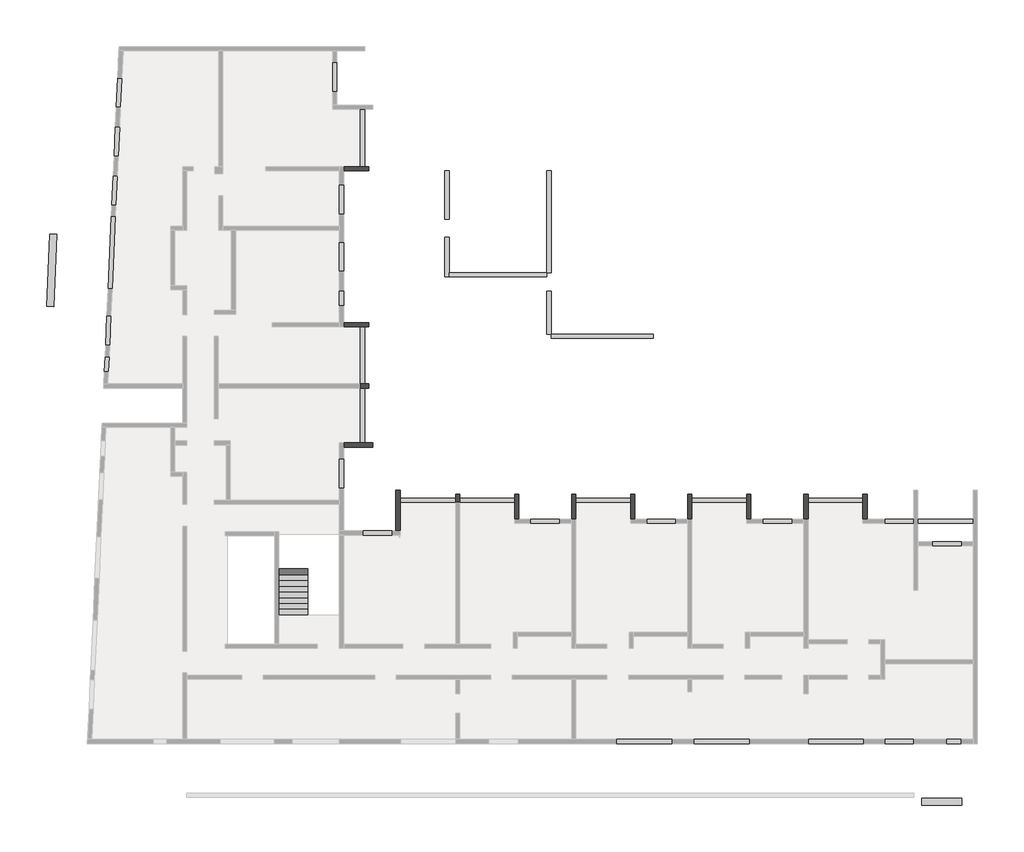
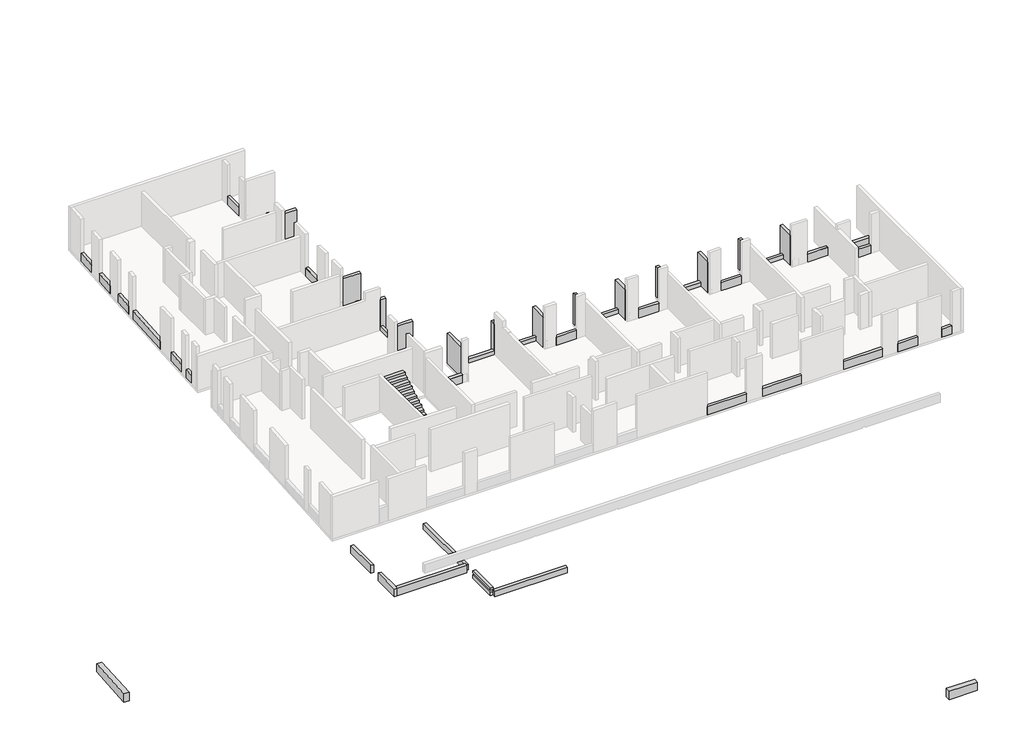
# One storey, part 4 of 5: 50 beams, 1 stair flight.
"""IFC4 building model written with IfcOpenShell, lengths in millimetres."""

from ifc_helpers import new_model, si_unit, frame, origin, place, context, project, spatial, polyline, outline, extrude, faceted_brep, element, save

model = new_model("IFC4")

# Units and contexts
model_context = context("Model", 3, world=origin())
ifc_project = project(units=[si_unit("LENGTHUNIT", "METRE", prefix="MILLI")], contexts=[model_context])

# Site, building, storey
site = spatial("IfcSite", under=ifc_project)
building = spatial("IfcBuilding", under=site)
storey = spatial("IfcBuildingStorey", under=building, Elevation=19880.0)

# Beams
placement = place(None, origin())
element("IfcBeam", 1, ObjectType="VF. 20/55", at=placement, inside=storey, context=model_context, shape_type="Brep", body=[
    faceted_brep([(-24095.6912908, 6450.9327501, -4300.0), (-24095.6912908, 6450.9327501, -4050.0), (-24095.6912908, 6450.9327501, -3900.0), (-24095.6912908, 6450.9327501, -3750.0), (-24095.6912908, 8380.9327501, -3750.0), (-24095.6912908, 8380.9327501, -4300.0), (-23895.6912908, 6450.9327501, -4300.0), (-23895.6912908, 8380.9327501, -4300.0), (-23895.6912908, 6650.9327501, -4300.0), (-23895.6912908, 6450.9327501, -4050.0), (-23895.6912908, 8380.9327501, -3750.0), (-23895.6912908, 6650.9327501, -3750.0), (-23895.6912908, 6450.9327501, -3750.0), (-23895.6912908, 6450.9327501, -3900.0)], [[[0, 1, 2, 3, 4, 5]], [[6, 0, 5, 7, 8]], [[9, 6, 8, 7, 10, 11, 12, 13]], [[3, 12, 11, 10, 4]], [[0, 6, 9, 13, 12, 3, 2, 1]], [[5, 4, 10, 7]]]),
    faceted_brep([(-23895.6912908, 11650.9327501, -4300.0), (-24095.6912908, 11650.9327501, -4300.0), (-24095.6912908, 11650.9327501, -4050.0), (-24095.6912908, 11650.9327501, -3900.0), (-24095.6912908, 11650.9327501, -3750.0), (-23895.6912908, 11650.9327501, -3750.0), (-23895.6912908, 11650.9327501, -3900.0), (-24095.6912908, 9280.9327501, -3750.0), (-24095.6912908, 9280.9327501, -4300.0), (-23895.6912908, 9280.9327501, -4300.0), (-23895.6912908, 9280.9327501, -3750.0)], [[[0, 1, 2, 3, 4, 5, 6]], [[7, 8, 9, 10]], [[2, 1, 8, 7, 4, 3]], [[1, 0, 9, 8]], [[0, 6, 5, 10, 9]], [[5, 4, 7, 10]]]),
])
element("IfcBeam", 2, ObjectType="VF. 20/55", at=placement, inside=storey, context=model_context, shape_type="Brep", body=[
    faceted_brep([(-23895.6912908, 6450.9327501, -3750.0), (-23895.6912908, 6450.9327501, -4300.0), (-19095.6912908, 6450.9327501, -4300.0), (-19095.6912908, 6450.9327501, -3750.0), (-23895.6912908, 6650.9327501, -4300.0), (-19095.6912908, 6650.9327501, -4300.0), (-23895.6912908, 6650.9327501, -3900.0), (-23895.6912908, 6650.9327501, -3750.0), (-19095.6912908, 6650.9327501, -3750.0)], [[[0, 1, 2, 3]], [[1, 4, 5, 2]], [[4, 6, 7, 8, 5]], [[7, 0, 3, 8]], [[1, 0, 7, 6, 4]], [[3, 2, 5, 8]]]),
])
element("IfcBeam", 3, ObjectType="VF. 20/55", at=placement, inside=storey, context=model_context, shape_type="SweptSolid", body=[
    extrude(outline(polyline([(-18895.6912908, 3640.9327501), (-19095.6912908, 3640.9327501), (-19095.6912908, 5750.9327501), (-18895.6912908, 5750.9327501), (-18895.6912908, 3640.9327501)])), frame((0.0, 0.0, -4300.0), z_axis=(0.0, 0.0, 1.0), x_axis=(1.0, 0.0, 0.0)), (0.0, 0.0, 1.0), 250.0),
    extrude(outline(polyline([(-19095.6912908, 11650.9327501), (-18895.6912908, 11650.9327501), (-18895.6912908, 6650.9327501), (-19095.6912908, 6650.9327501), (-19095.6912908, 11650.9327501)])), frame((0.0, 0.0, -4300.0), z_axis=(0.0, 0.0, 1.0), x_axis=(1.0, 0.0, 0.0)), (0.0, 0.0, 1.0), 400.0),
    extrude(outline(polyline([(-18895.6912908, 3640.9327501), (-19095.6912908, 3640.9327501), (-19095.6912908, 5750.9327501), (-18895.6912908, 5750.9327501), (-18895.6912908, 3640.9327501)])), frame((0.0, 0.0, -3900.0), z_axis=(0.0, 0.0, 1.0), x_axis=(1.0, 0.0, 0.0)), (0.0, 0.0, 1.0), 150.0),
])
element("IfcBeam", 4, ObjectType="VF. 20/55", at=placement, inside=storey, context=model_context, shape_type="Brep", body=[
    faceted_brep([(-13895.6912908, 3440.9327501, -4300.0), (-13895.6912908, 3640.9327501, -4300.0), (-13895.6912908, 3640.9327501, -4050.0), (-13895.6912908, 3640.9327501, -3900.0), (-13895.6912908, 3440.9327501, -3900.0), (-13895.6912908, 3440.9327501, -4050.0), (-18895.6912908, 3640.9327501, -4300.0), (-18895.6912908, 3440.9327501, -4300.0), (-18895.6912908, 3440.9327501, -4050.0), (-18895.6912908, 3440.9327501, -3900.0), (-18895.6912908, 3640.9327501, -3900.0), (-18895.6912908, 3640.9327501, -4050.0)], [[[0, 1, 2, 3, 4, 5]], [[6, 7, 8, 9, 10, 11]], [[7, 0, 5, 4, 9, 8]], [[1, 0, 7, 6]], [[1, 6, 11, 10, 3, 2]], [[10, 9, 4, 3]]]),
])
element("IfcBeam", 5, ObjectType="VF. 35/60", at=placement, inside=storey, context=model_context, shape_type="SweptSolid", body=[
    extrude(outline(polyline([(1214.3087092, -19094.0672499), (1214.3087092, -19444.0672499), (-725.6912908, -19444.0672499), (-725.6912908, -19094.0672499), (1214.3087092, -19094.0672499)])), frame((0.0, 0.0, -4300.0), z_axis=(0.0, 0.0, 1.0), x_axis=(1.0, 0.0, 0.0)), (0.0, 0.0, 1.0), 600.0),
])
element("IfcBeam", 6, ObjectType="VF. 35/60", at=placement, inside=storey, context=model_context, shape_type="SweptSolid", body=[
    extrude(outline(polyline([(-43265.3093316, 4994.8063327), (-43614.9497408, 5010.6677392), (-43454.5229436, 8547.0307357), (-43104.8825344, 8531.1693292), (-43265.3093316, 4994.8063327)])), frame((0.0, 0.0, -4300.0), z_axis=(0.0, 0.0, 1.0), x_axis=(1.0, 0.0, 0.0)), (0.0, 0.0, 1.0), 600.0),
])
element("IfcBeam", 7, ObjectType="VI. 20/238", at=placement, inside=storey, context=model_context, shape_type="Brep", body=[
    faceted_brep([(-3415.6912908, -5419.0672499, 22110.0), (-3615.6912908, -5419.0672499, 22110.0), (-3615.6912908, -5419.0672499, 19880.0), (-3415.6912908, -5419.0672499, 19880.0), (-3615.6912908, -4199.0672499, 22110.0), (-3415.6912908, -4199.0672499, 22110.0), (-3415.6912908, -4199.0672499, 19880.0), (-3615.6912908, -4199.0672499, 19880.0), (-3615.6912908, -4399.0672499, 19880.0), (-3615.6912908, -4399.0672499, 20180.0), (-3615.6912908, -4599.0672499, 20180.0), (-3615.6912908, -4599.0672499, 19880.0), (-3585.6912908, -4599.0672499, 20180.0), (-3585.6912908, -4399.0672499, 20180.0), (-3585.6912908, -4399.0672499, 19880.0), (-3585.6912908, -4599.0672499, 19880.0)], [[[0, 1, 2, 3]], [[4, 5, 6, 7]], [[1, 4, 7, 8, 9, 10, 11, 2]], [[5, 0, 3, 6]], [[1, 0, 5, 4]], [[12, 13, 14, 15]], [[10, 12, 15, 11]], [[13, 12, 10, 9]], [[13, 9, 8, 14]], [[3, 2, 11, 15, 14, 8, 7, 6]]]),
])
element("IfcBeam", 8, ObjectType="VI. 20/238", at=placement, inside=storey, context=model_context, shape_type="Brep", body=[
    faceted_brep([(-9105.6912908, -5419.0672499, 22110.0), (-9305.6912908, -5419.0672499, 22110.0), (-9305.6912908, -5419.0672499, 19880.0), (-9105.6912908, -5419.0672499, 19880.0), (-9305.6912908, -4199.0672499, 22110.0), (-9105.6912908, -4199.0672499, 22110.0), (-9105.6912908, -4199.0672499, 19880.0), (-9305.6912908, -4199.0672499, 19880.0), (-9305.6912908, -4399.0672499, 19880.0), (-9305.6912908, -4599.0672499, 19880.0)], [[[0, 1, 2, 3]], [[4, 5, 6, 7]], [[1, 4, 7, 8, 9, 2]], [[5, 0, 3, 6]], [[1, 0, 5, 4]], [[3, 2, 9, 8, 7, 6]]]),
])
element("IfcBeam", 9, ObjectType="VI. 20/238", at=placement, inside=storey, context=model_context, shape_type="Brep", body=[
    faceted_brep([(-20485.6912908, -5419.0672499, 22110.0), (-20685.6912908, -5419.0672499, 22110.0), (-20685.6912908, -5419.0672499, 19880.0), (-20485.6912908, -5419.0672499, 19880.0), (-20685.6912908, -4199.0672499, 22110.0), (-20485.6912908, -4199.0672499, 22110.0), (-20485.6912908, -4199.0672499, 19880.0), (-20685.6912908, -4199.0672499, 19880.0), (-20685.6912908, -4399.0672499, 19880.0), (-20685.6912908, -4399.0672499, 20180.0), (-20685.6912908, -4599.0672499, 20180.0), (-20685.6912908, -4599.0672499, 19880.0), (-20655.6912908, -4599.0672499, 20180.0), (-20655.6912908, -4399.0672499, 20180.0), (-20655.6912908, -4399.0672499, 19880.0), (-20655.6912908, -4599.0672499, 19880.0)], [[[0, 1, 2, 3]], [[4, 5, 6, 7]], [[1, 4, 7, 8, 9, 10, 11, 2]], [[5, 0, 3, 6]], [[1, 0, 5, 4]], [[12, 13, 14, 15]], [[10, 12, 15, 11]], [[13, 12, 10, 9]], [[13, 9, 8, 14]], [[3, 2, 11, 15, 14, 8, 7, 6]]]),
])
element("IfcBeam", 10, ObjectType="VI. 20/238", at=placement, inside=storey, context=model_context, shape_type="Brep", body=[
    faceted_brep([(-26495.6912908, -3999.0672499, 22110.0), (-26295.6912908, -3999.0672499, 22110.0), (-26295.6912908, -3999.0672499, 19880.0), (-26495.6912908, -3999.0672499, 19880.0), (-26295.6912908, -6004.0672499, 22110.0), (-26495.6912908, -6004.0672499, 22110.0), (-26495.6912908, -6004.0672499, 19880.0), (-26295.6912908, -6004.0672499, 19880.0), (-26295.6912908, -4599.0672499, 19880.0), (-26295.6912908, -4399.0672499, 19880.0)], [[[0, 1, 2, 3]], [[4, 5, 6, 7]], [[1, 4, 7, 8, 9, 2]], [[5, 0, 3, 6]], [[1, 0, 5, 4]], [[3, 2, 9, 8, 7, 6]]]),
])
element("IfcBeam", 11, ObjectType="VI. 20/238", at=placement, inside=storey, context=model_context, shape_type="Brep", body=[
    faceted_brep([(-14995.6912908, -4199.0672499, 22110.0), (-14795.6912908, -4199.0672499, 22110.0), (-14795.6912908, -4199.0672499, 19880.0), (-14995.6912908, -4199.0672499, 19880.0), (-14795.6912908, -5419.0672499, 22110.0), (-14995.6912908, -5419.0672499, 22110.0), (-14995.6912908, -5419.0672499, 19880.0), (-14795.6912908, -5419.0672499, 19880.0), (-14995.6912908, -4399.0672499, 19880.0), (-14995.6912908, -4399.0672499, 20180.0), (-14995.6912908, -4599.0672499, 20180.0), (-14995.6912908, -4599.0672499, 19880.0), (-14965.6912908, -4599.0672499, 20180.0), (-14965.6912908, -4399.0672499, 20180.0), (-14965.6912908, -4399.0672499, 19880.0), (-14965.6912908, -4599.0672499, 19880.0)], [[[0, 1, 2, 3]], [[4, 5, 6, 7]], [[1, 4, 7, 2]], [[5, 0, 3, 8, 9, 10, 11, 6]], [[1, 0, 5, 4]], [[12, 13, 14, 15]], [[10, 12, 15, 11]], [[13, 12, 10, 9]], [[13, 9, 8, 14]], [[3, 2, 7, 6, 11, 15, 14, 8]]]),
])
element("IfcBeam", 12, ObjectType="VI. 20/238", at=placement, inside=storey, context=model_context, shape_type="Brep", body=[
    faceted_brep([(-27835.6912908, 4200.9327501, 22110.0), (-27835.6912908, 4000.9327501, 22110.0), (-27835.6912908, 4000.9327501, 19880.0), (-27835.6912908, 4200.9327501, 19880.0), (-29065.6912908, 4000.9327501, 22110.0), (-29065.6912908, 4200.9327501, 22110.0), (-29065.6912908, 4200.9327501, 19880.0), (-29065.6912908, 4000.9327501, 19880.0), (-28235.6912908, 4000.9327501, 19880.0), (-28035.6912908, 4000.9327501, 19880.0)], [[[0, 1, 2, 3]], [[4, 5, 6, 7]], [[1, 4, 7, 8, 9, 2]], [[5, 0, 3, 6]], [[1, 0, 5, 4]], [[3, 2, 9, 8, 7, 6]]]),
])
element("IfcBeam", 13, ObjectType="VI. 20/238", at=placement, inside=storey, context=model_context, shape_type="Brep", body=[
    faceted_brep([(-27635.6912908, -1689.5482142, 22110.0), (-27635.6912908, -1889.5482142, 22110.0), (-27635.6912908, -1889.5482142, 19880.0), (-27635.6912908, -1689.5482142, 19880.0), (-29065.6912908, -1889.5482142, 22110.0), (-29065.6912908, -1689.5482142, 22110.0), (-29065.6912908, -1689.5482142, 19880.0), (-29065.6912908, -1889.5482142, 19880.0), (-28035.6912908, -1689.5482142, 19880.0), (-28235.6912908, -1689.5482142, 19880.0)], [[[0, 1, 2, 3]], [[4, 5, 6, 7]], [[5, 0, 3, 8, 9, 6]], [[1, 4, 7, 2]], [[1, 0, 5, 4]], [[3, 2, 7, 6, 9, 8]]]),
])
element("IfcBeam", 14, ObjectType="VI. 20/238", at=placement, inside=storey, context=model_context, shape_type="Brep", body=[
    faceted_brep([(-27835.6912908, 11850.9327501, 22110.0), (-27835.6912908, 11650.9327501, 22110.0), (-27835.6912908, 11650.9327501, 19880.0), (-27835.6912908, 11850.9327501, 19880.0), (-29065.6912908, 11650.9327501, 22110.0), (-29065.6912908, 11850.9327501, 22110.0), (-29065.6912908, 11850.9327501, 19880.0), (-29065.6912908, 11650.9327501, 19880.0), (-28035.6912908, 11850.9327501, 19880.0), (-28235.6912908, 11850.9327501, 19880.0)], [[[0, 1, 2, 3]], [[4, 5, 6, 7]], [[1, 4, 7, 2]], [[5, 0, 3, 8, 9, 6]], [[1, 0, 5, 4]], [[3, 2, 7, 6, 9, 8]]]),
])
element("IfcBeam", 15, ObjectType="VI. 20/238", at=placement, inside=storey, context=model_context, shape_type="Brep", body=[
    faceted_brep([(-27835.6912908, 1200.9327501, 22110.0), (-27835.6912908, 1000.9327501, 22110.0), (-27835.6912908, 1000.9327501, 19880.0), (-27835.6912908, 1200.9327501, 19880.0), (-28235.6912908, 1000.9327501, 22110.0), (-28235.6912908, 1200.9327501, 22110.0), (-28235.6912908, 1200.9327501, 19880.0), (-28235.6912908, 1000.9327501, 19880.0), (-28235.6912908, 1000.9327501, 20180.0), (-28035.6912908, 1200.9327501, 19880.0), (-28035.6912908, 1000.9327501, 19880.0)], [[[0, 1, 2, 3]], [[4, 5, 6, 7, 8]], [[5, 0, 3, 9, 6]], [[1, 4, 8, 7, 10, 2]], [[1, 0, 5, 4]], [[3, 2, 10, 7, 6, 9]]]),
])
element("IfcBeam", 16, ObjectType="VI. 20/238", at=placement, inside=storey, context=model_context, shape_type="Brep", body=[
    faceted_brep([(-23375.6912908, -4599.0672499, 22110.0), (-23575.6912908, -4599.0672499, 22110.0), (-23575.6912908, -4599.0672499, 19880.0), (-23375.6912908, -4599.0672499, 19880.0), (-23575.6912908, -4199.0672499, 22110.0), (-23375.6912908, -4199.0672499, 22110.0), (-23375.6912908, -4199.0672499, 19880.0), (-23575.6912908, -4199.0672499, 19880.0), (-23575.6912908, -4399.0672499, 19880.0), (-23375.6912908, -4399.0672499, 19880.0)], [[[0, 1, 2, 3]], [[4, 5, 6, 7]], [[1, 4, 7, 8, 2]], [[5, 0, 3, 9, 6]], [[1, 0, 5, 4]], [[3, 2, 8, 7, 6, 9]]]),
])
element("IfcBeam", 17, ObjectType="VI. 20/238", at=placement, inside=storey, context=model_context, shape_type="Brep", body=[
    faceted_brep([(-6305.6912908, -5419.0672499, 22110.0), (-6505.6912908, -5419.0672499, 22110.0), (-6505.6912908, -5419.0672499, 19880.0), (-6305.6912908, -5419.0672499, 19880.0), (-6505.6912908, -4199.0672499, 22110.0), (-6305.6912908, -4199.0672499, 22110.0), (-6305.6912908, -4199.0672499, 19880.0), (-6505.6912908, -4199.0672499, 19880.0), (-6305.6912908, -4399.0672499, 19880.0)], [[[0, 1, 2, 3]], [[4, 5, 6, 7]], [[1, 4, 7, 2]], [[5, 0, 3, 8, 6]], [[1, 0, 5, 4]], [[3, 2, 7, 6, 8]]]),
])
element("IfcBeam", 18, ObjectType="VI. 20/238", at=placement, inside=storey, context=model_context, shape_type="Brep", body=[
    faceted_brep([(-11995.6912908, -5419.0672499, 22110.0), (-12195.6912908, -5419.0672499, 22110.0), (-12195.6912908, -5419.0672499, 19880.0), (-11995.6912908, -5419.0672499, 19880.0), (-12195.6912908, -4199.0672499, 22110.0), (-11995.6912908, -4199.0672499, 22110.0), (-11995.6912908, -4199.0672499, 19880.0), (-12195.6912908, -4199.0672499, 19880.0), (-11995.6912908, -4399.0672499, 19880.0)], [[[0, 1, 2, 3]], [[4, 5, 6, 7]], [[1, 4, 7, 2]], [[5, 0, 3, 8, 6]], [[1, 0, 5, 4]], [[3, 2, 7, 6, 8]]]),
])
element("IfcBeam", 19, ObjectType="VI. 20/238", at=placement, inside=storey, context=model_context, shape_type="Brep", body=[
    faceted_brep([(-17885.6912908, -4199.0672499, 22110.0), (-17685.6912908, -4199.0672499, 22110.0), (-17685.6912908, -4199.0672499, 19880.0), (-17885.6912908, -4199.0672499, 19880.0), (-17685.6912908, -5419.0672499, 22110.0), (-17885.6912908, -5419.0672499, 22110.0), (-17885.6912908, -5419.0672499, 19880.0), (-17685.6912908, -5419.0672499, 19880.0), (-17685.6912908, -4399.0672499, 19880.0)], [[[0, 1, 2, 3]], [[4, 5, 6, 7]], [[1, 4, 7, 8, 2]], [[5, 0, 3, 6]], [[1, 0, 5, 4]], [[3, 2, 8, 7, 6]]]),
])
element("IfcBeam", 20, ObjectType="VI. 20/45", at=placement, inside=storey, context=model_context, shape_type="Brep", body=[
    faceted_brep([(-3585.6912908, -4399.0672499, 20180.0), (-3585.6912908, -4599.0672499, 20180.0), (-3585.6912908, -4599.0672499, 19880.0), (-3585.6912908, -4399.0672499, 19880.0), (-6305.6912908, -4599.0672499, 20180.0), (-6305.6912908, -4399.0672499, 20180.0), (-6305.6912908, -4399.0672499, 19880.0), (-6305.6912908, -4599.0672499, 19880.0), (-3615.6912908, -4599.0672499, 20180.0), (-3615.6912908, -4599.0672499, 19880.0), (-3615.6912908, -4399.0672499, 20180.0), (-3615.6912908, -4399.0672499, 19880.0)], [[[0, 1, 2, 3]], [[4, 5, 6, 7]], [[1, 8, 4, 7, 9, 2]], [[5, 10, 0, 3, 11, 6]], [[1, 0, 10, 5, 4, 8]], [[3, 2, 9, 7, 6, 11]]]),
])
element("IfcBeam", 21, ObjectType="VI. 20/45", at=placement, inside=storey, context=model_context, shape_type="SweptSolid", body=[
    extrude(outline(polyline([(-9305.6912908, -4399.0672499), (-9305.6912908, -4599.0672499), (-11995.6912908, -4599.0672499), (-11995.6912908, -4399.0672499), (-9305.6912908, -4399.0672499)])), frame((0.0, 0.0, 19880.0), z_axis=(0.0, 0.0, 1.0), x_axis=(1.0, 0.0, 0.0)), (0.0, 0.0, 1.0), 300.0),
])
element("IfcBeam", 22, ObjectType="VI. 20/45", at=placement, inside=storey, context=model_context, shape_type="Brep", body=[
    faceted_brep([(-14965.6912908, -4399.0672499, 20180.0), (-14965.6912908, -4599.0672499, 20180.0), (-14965.6912908, -4599.0672499, 19880.0), (-14965.6912908, -4399.0672499, 19880.0), (-17685.6912908, -4599.0672499, 20180.0), (-17685.6912908, -4399.0672499, 20180.0), (-17685.6912908, -4399.0672499, 19880.0), (-17685.6912908, -4599.0672499, 19880.0), (-14995.6912908, -4599.0672499, 20180.0), (-14995.6912908, -4599.0672499, 19880.0), (-14995.6912908, -4399.0672499, 20180.0), (-14995.6912908, -4399.0672499, 19880.0)], [[[0, 1, 2, 3]], [[4, 5, 6, 7]], [[1, 8, 4, 7, 9, 2]], [[5, 10, 0, 3, 11, 6]], [[1, 0, 10, 5, 4, 8]], [[3, 2, 9, 7, 6, 11]]]),
])
element("IfcBeam", 23, ObjectType="VI. 20/45", at=placement, inside=storey, context=model_context, shape_type="Brep", body=[
    faceted_brep([(-20655.6912908, -4399.0672499, 20180.0), (-20655.6912908, -4599.0672499, 20180.0), (-20655.6912908, -4599.0672499, 19880.0), (-20655.6912908, -4399.0672499, 19880.0), (-23375.6912908, -4599.0672499, 20180.0), (-23375.6912908, -4399.0672499, 20180.0), (-23375.6912908, -4399.0672499, 19880.0), (-23375.6912908, -4599.0672499, 19880.0), (-20685.6912908, -4599.0672499, 20180.0), (-20685.6912908, -4599.0672499, 19880.0), (-20685.6912908, -4399.0672499, 20180.0), (-20685.6912908, -4399.0672499, 19880.0)], [[[0, 1, 2, 3]], [[4, 5, 6, 7]], [[1, 8, 4, 7, 9, 2]], [[5, 10, 0, 3, 11, 6]], [[1, 0, 10, 5, 4, 8]], [[3, 2, 9, 7, 6, 11]]]),
])
element("IfcBeam", 24, ObjectType="VI. 20/45", at=placement, inside=storey, context=model_context, shape_type="SweptSolid", body=[
    extrude(outline(polyline([(-23575.6912908, -4399.0672499), (-23575.6912908, -4599.0672499), (-26295.6912908, -4599.0672499), (-26295.6912908, -4399.0672499), (-23575.6912908, -4399.0672499)])), frame((0.0, 0.0, 19880.0), z_axis=(0.0, 0.0, 1.0), x_axis=(1.0, 0.0, 0.0)), (0.0, 0.0, 1.0), 300.0),
])
element("IfcBeam", 25, ObjectType="VI. 20/45", at=placement, inside=storey, context=model_context, shape_type="SweptSolid", body=[
    extrude(outline(polyline([(-28235.6912908, 14650.9327501), (-28035.6912908, 14650.9327501), (-28035.6912908, 11850.9327501), (-28235.6912908, 11850.9327501), (-28235.6912908, 14650.9327501)])), frame((0.0, 0.0, 19880.0), z_axis=(0.0, 0.0, 1.0), x_axis=(1.0, 0.0, 0.0)), (0.0, 0.0, 1.0), 300.0),
])
element("IfcBeam", 26, ObjectType="VI. 20/45", at=placement, inside=storey, context=model_context, shape_type="SweptSolid", body=[
    extrude(outline(polyline([(-28235.6912908, 4000.9327501), (-28035.6912908, 4000.9327501), (-28035.6912908, 1200.9327501), (-28235.6912908, 1200.9327501), (-28235.6912908, 4000.9327501)])), frame((0.0, 0.0, 19880.0), z_axis=(0.0, 0.0, 1.0), x_axis=(1.0, 0.0, 0.0)), (0.0, 0.0, 1.0), 300.0),
])
element("IfcBeam", 27, ObjectType="VI. 20/45", at=placement, inside=storey, context=model_context, shape_type="SweptSolid", body=[
    extrude(outline(polyline([(-28235.6912908, 1000.9327501), (-28035.6912908, 1000.9327501), (-28035.6912908, -1689.5482142), (-28235.6912908, -1689.5482142), (-28235.6912908, 1000.9327501)])), frame((0.0, 0.0, 19880.0), z_axis=(0.0, 0.0, 1.0), x_axis=(1.0, 0.0, 0.0)), (0.0, 0.0, 1.0), 300.0),
])
element("IfcBeam", 28, ObjectType="VI. 20/47", at=placement, inside=storey, context=model_context, shape_type="Brep", body=[
    faceted_brep([(1794.3087092, -5619.0672499, 20200.0), (1794.3087092, -5619.0672499, 19730.0), (1794.3087092, -5419.0672499, 19730.0), (1794.3087092, -5419.0672499, 20200.0), (-925.6912908, -5619.0672499, 20200.0), (-925.6912908, -5419.0672499, 20200.0), (-925.6912908, -5419.0672499, 19880.0), (-925.6912908, -5419.0672499, 19730.0), (-925.6912908, -5619.0672499, 19730.0), (-925.6912908, -5619.0672499, 19880.0)], [[[0, 1, 2, 3]], [[4, 5, 6, 7, 8, 9]], [[1, 0, 4, 9, 8]], [[2, 1, 8, 7]], [[3, 2, 7, 6, 5]], [[0, 3, 5, 4]]]),
])
element("IfcBeam", 29, ObjectType="VI. 20/75", at=placement, inside=storey, context=model_context, shape_type="SweptSolid", body=[
    extrude(outline(polyline([(1189.3087092, -6519.0672499), (1189.3087092, -6719.0672499), (-200.6912908, -6719.0672499), (-200.6912908, -6519.0672499), (1189.3087092, -6519.0672499)])), frame((0.0, 0.0, 19880.0), z_axis=(0.0, 0.0, 1.0), x_axis=(1.0, 0.0, 0.0)), (0.0, 0.0, 1.0), 600.0),
])
element("IfcBeam", 30, ObjectType="VI. 20/75", at=placement, inside=storey, context=model_context, shape_type="SweptSolid", body=[
    extrude(outline(polyline([(-1125.6912908, -5419.0672499), (-1125.6912908, -5619.0672499), (-2545.6912908, -5619.0672499), (-2545.6912908, -5419.0672499), (-1125.6912908, -5419.0672499)])), frame((0.0, 0.0, 19880.0), z_axis=(0.0, 0.0, 1.0), x_axis=(1.0, 0.0, 0.0)), (0.0, 0.0, 1.0), 600.0),
])
element("IfcBeam", 31, ObjectType="VI. 20/75", at=placement, inside=storey, context=model_context, shape_type="SweptSolid", body=[
    extrude(outline(polyline([(-7085.6912908, -5419.0672499), (-7085.6912908, -5619.0672499), (-8525.6912908, -5619.0672499), (-8525.6912908, -5419.0672499), (-7085.6912908, -5419.0672499)])), frame((0.0, 0.0, 19880.0), z_axis=(0.0, 0.0, 1.0), x_axis=(1.0, 0.0, 0.0)), (0.0, 0.0, 1.0), 600.0),
])
element("IfcBeam", 32, ObjectType="VI. 20/75", at=placement, inside=storey, context=model_context, shape_type="SweptSolid", body=[
    extrude(outline(polyline([(-29265.6912908, 8150.9327501), (-29065.6912908, 8150.9327501), (-29065.6912908, 6710.9327501), (-29265.6912908, 6710.9327501), (-29265.6912908, 8150.9327501)])), frame((0.0, 0.0, 19880.0), z_axis=(0.0, 0.0, 1.0), x_axis=(1.0, 0.0, 0.0)), (0.0, 0.0, 1.0), 600.0),
])
element("IfcBeam", 33, ObjectType="VI. 20/75", at=placement, inside=storey, context=model_context, shape_type="SweptSolid", body=[
    extrude(outline(polyline([(-29065.6912908, -3909.0672499), (-29265.6912908, -3909.0672499), (-29265.6912908, -2469.0672499), (-29065.6912908, -2469.0672499), (-29065.6912908, -3909.0672499)])), frame((0.0, 0.0, 19880.0), z_axis=(0.0, 0.0, 1.0), x_axis=(1.0, 0.0, 0.0)), (0.0, 0.0, 1.0), 600.0),
])
element("IfcBeam", 34, ObjectType="VI. 20/75", at=placement, inside=storey, context=model_context, shape_type="SweptSolid", body=[
    extrude(outline(polyline([(-12775.6912908, -5419.0672499), (-12775.6912908, -5619.0672499), (-14215.6912908, -5619.0672499), (-14215.6912908, -5419.0672499), (-12775.6912908, -5419.0672499)])), frame((0.0, 0.0, 19880.0), z_axis=(0.0, 0.0, 1.0), x_axis=(1.0, 0.0, 0.0)), (0.0, 0.0, 1.0), 600.0),
])
element("IfcBeam", 35, ObjectType="VI. 20/75", at=placement, inside=storey, context=model_context, shape_type="SweptSolid", body=[
    extrude(outline(polyline([(-18465.6912908, -5419.0672499), (-18465.6912908, -5619.0672499), (-19905.6912908, -5619.0672499), (-19905.6912908, -5419.0672499), (-18465.6912908, -5419.0672499)])), frame((0.0, 0.0, 19880.0), z_axis=(0.0, 0.0, 1.0), x_axis=(1.0, 0.0, 0.0)), (0.0, 0.0, 1.0), 600.0),
])
element("IfcBeam", 36, ObjectType="VI. 20/75", at=placement, inside=storey, context=model_context, shape_type="SweptSolid", body=[
    extrude(outline(polyline([(-26675.6912908, -6004.0672499), (-26675.6912908, -6204.0672499), (-28115.6912908, -6204.0672499), (-28115.6912908, -6004.0672499), (-26675.6912908, -6004.0672499)])), frame((0.0, 0.0, 19880.0), z_axis=(0.0, 0.0, 1.0), x_axis=(1.0, 0.0, 0.0)), (0.0, 0.0, 1.0), 600.0),
])
element("IfcBeam", 37, ObjectType="VI. 20/75", at=placement, inside=storey, context=model_context, shape_type="SweptSolid", body=[
    extrude(outline(polyline([(-29265.6912908, 5760.9327501), (-29065.6912908, 5760.9327501), (-29065.6912908, 5020.9327501), (-29265.6912908, 5020.9327501), (-29265.6912908, 5760.9327501)])), frame((0.0, 0.0, 19880.0), z_axis=(0.0, 0.0, 1.0), x_axis=(1.0, 0.0, 0.0)), (0.0, 0.0, 1.0), 600.0),
])
element("IfcBeam", 38, ObjectType="VI. 20/75", at=placement, inside=storey, context=model_context, shape_type="SweptSolid", body=[
    extrude(outline(polyline([(-29265.6912908, 10925.9327501), (-29065.6912908, 10925.9327501), (-29065.6912908, 9535.9327501), (-29265.6912908, 9535.9327501), (-29265.6912908, 10925.9327501)])), frame((0.0, 0.0, 19880.0), z_axis=(0.0, 0.0, 1.0), x_axis=(1.0, 0.0, 0.0)), (0.0, 0.0, 1.0), 600.0),
])
element("IfcBeam", 39, ObjectType="VI. 20/75", at=placement, inside=storey, context=model_context, shape_type="SweptSolid", body=[
    extrude(outline(polyline([(-29595.6912908, 16950.9327501), (-29395.6912908, 16950.9327501), (-29395.6912908, 15510.9327501), (-29595.6912908, 15510.9327501), (-29595.6912908, 16950.9327501)])), frame((0.0, 0.0, 19880.0), z_axis=(0.0, 0.0, 1.0), x_axis=(1.0, 0.0, 0.0)), (0.0, 0.0, 1.0), 600.0),
])
element("IfcBeam", 40, ObjectType="VI. 20/75", at=placement, inside=storey, context=model_context, shape_type="SweptSolid", body=[
    extrude(outline(polyline([(-40748.9268523, 2540.9886267), (-40549.1323327, 2531.9249658), (-40582.6678779, 1792.6852434), (-40782.4623975, 1801.7489043), (-40748.9268523, 2540.9886267)])), frame((0.0, 0.0, 19880.0), z_axis=(0.0, 0.0, 1.0), x_axis=(1.0, 0.0, 0.0)), (0.0, 0.0, 1.0), 600.0),
])
element("IfcBeam", 41, ObjectType="VI. 20/75", at=placement, inside=storey, context=model_context, shape_type="SweptSolid", body=[
    extrude(outline(polyline([(-40658.0636522, 4543.9286854), (-40458.2691326, 4534.8650246), (-40523.5274908, 3096.3444836), (-40723.3220104, 3105.4081445), (-40658.0636522, 4543.9286854)])), frame((0.0, 0.0, 19880.0), z_axis=(0.0, 0.0, 1.0), x_axis=(1.0, 0.0, 0.0)), (0.0, 0.0, 1.0), 600.0),
])
element("IfcBeam", 42, ObjectType="VI. 20/75", at=placement, inside=storey, context=model_context, shape_type="SweptSolid", body=[
    extrude(outline(polyline([(-40436.6837357, 9423.909826), (-40236.8892162, 9414.8461652), (-40398.2223794, 5858.5037168), (-40598.016899, 5867.5673776), (-40436.6837357, 9423.909826)])), frame((0.0, 0.0, 19880.0), z_axis=(0.0, 0.0, 1.0), x_axis=(1.0, 0.0, 0.0)), (0.0, 0.0, 1.0), 600.0),
])
element("IfcBeam", 43, ObjectType="VI. 20/75", at=placement, inside=storey, context=model_context, shape_type="SweptSolid", body=[
    extrude(outline(polyline([(-40347.1800848, 11396.8807068), (-40147.3855652, 11387.817046), (-40212.6439234, 9949.296505), (-40412.4384429, 9958.3601659), (-40347.1800848, 11396.8807068)])), frame((0.0, 0.0, 19880.0), z_axis=(0.0, 0.0, 1.0), x_axis=(1.0, 0.0, 0.0)), (0.0, 0.0, 1.0), 600.0),
])
element("IfcBeam", 44, ObjectType="VI. 20/75", at=placement, inside=storey, context=model_context, shape_type="SweptSolid", body=[
    extrude(outline(polyline([(-40238.4161545, 13794.4149417), (-40038.6216349, 13785.3512809), (-40103.8799931, 12346.8307399), (-40303.6745126, 12355.8944008), (-40238.4161545, 13794.4149417)])), frame((0.0, 0.0, 19880.0), z_axis=(0.0, 0.0, 1.0), x_axis=(1.0, 0.0, 0.0)), (0.0, 0.0, 1.0), 600.0),
])
element("IfcBeam", 45, ObjectType="VI. 20/75", at=placement, inside=storey, context=model_context, shape_type="SweptSolid", body=[
    extrude(outline(polyline([(-40130.7851818, 16166.9748617), (-39930.9906622, 16157.9112008), (-39993.9831052, 14769.3392898), (-40193.7776247, 14778.4029506), (-40130.7851818, 16166.9748617)])), frame((0.0, 0.0, 19880.0), z_axis=(0.0, 0.0, 1.0), x_axis=(1.0, 0.0, 0.0)), (0.0, 0.0, 1.0), 600.0),
])
element("IfcBeam", 46, ObjectType="VI. 20/75", at=placement, inside=storey, context=model_context, shape_type="SweptSolid", body=[
    extrude(outline(polyline([(-15705.6912908, -16419.0672499), (-15705.6912908, -16219.0672499), (-12965.6912908, -16219.0672499), (-12965.6912908, -16419.0672499), (-15705.6912908, -16419.0672499)])), frame((0.0, 0.0, 19880.0), z_axis=(0.0, 0.0, 1.0), x_axis=(1.0, 0.0, 0.0)), (0.0, 0.0, 1.0), 600.0),
])
element("IfcBeam", 47, ObjectType="VI. 20/75", at=placement, inside=storey, context=model_context, shape_type="SweptSolid", body=[
    extrude(outline(polyline([(-11895.6912908, -16419.0672499), (-11895.6912908, -16219.0672499), (-9155.6912908, -16219.0672499), (-9155.6912908, -16419.0672499), (-11895.6912908, -16419.0672499)])), frame((0.0, 0.0, 19880.0), z_axis=(0.0, 0.0, 1.0), x_axis=(1.0, 0.0, 0.0)), (0.0, 0.0, 1.0), 600.0),
])
element("IfcBeam", 48, ObjectType="VI. 20/75", at=placement, inside=storey, context=model_context, shape_type="SweptSolid", body=[
    extrude(outline(polyline([(-2555.6912908, -16419.0672499), (-2555.6912908, -16219.0672499), (-1125.6912908, -16219.0672499), (-1125.6912908, -16419.0672499), (-2555.6912908, -16419.0672499)])), frame((0.0, 0.0, 19880.0), z_axis=(0.0, 0.0, 1.0), x_axis=(1.0, 0.0, 0.0)), (0.0, 0.0, 1.0), 600.0),
])
element("IfcBeam", 49, ObjectType="VI. 20/75", at=placement, inside=storey, context=model_context, shape_type="SweptSolid", body=[
    extrude(outline(polyline([(-6305.6912908, -16419.0672499), (-6305.6912908, -16219.0672499), (-3570.6912908, -16219.0672499), (-3570.6912908, -16419.0672499), (-6305.6912908, -16419.0672499)])), frame((0.0, 0.0, 19880.0), z_axis=(0.0, 0.0, 1.0), x_axis=(1.0, 0.0, 0.0)), (0.0, 0.0, 1.0), 600.0),
])
element("IfcBeam", 50, ObjectType="VI. 20/75", at=placement, inside=storey, context=model_context, shape_type="SweptSolid", body=[
    extrude(outline(polyline([(489.3087092, -16419.0672499), (489.3087092, -16219.0672499), (1179.3087092, -16219.0672499), (1179.3087092, -16419.0672499), (489.3087092, -16419.0672499)])), frame((0.0, 0.0, 19880.0), z_axis=(0.0, 0.0, 1.0), x_axis=(1.0, 0.0, 0.0)), (0.0, 0.0, 1.0), 600.0),
])

# Stair flight
element("IfcStairFlight", 51, at=placement, inside=storey, context=model_context, shape_type="Brep", body=[
    faceted_brep([(-32245.6912908, -9824.0672499, 20048.6666667), (-32245.6912908, -10104.0672499, 20048.6666667), (-30815.6912908, -10104.0672499, 20048.6666667), (-30815.6912908, -9824.0672499, 20048.6666667), (-30815.6912908, -10104.0672499, 19880.0), (-30815.6912908, -9852.1266309, 19880.0), (-30815.6912908, -9824.0672499, 19896.9024366), (-32245.6912908, -10104.0672499, 19880.0), (-32245.6912908, -9824.0672499, 19896.9024366), (-32245.6912908, -9852.1266309, 19880.0), (-32245.6912908, -9544.0672499, 20217.3333333), (-32245.6912908, -9824.0672499, 20217.3333333), (-30815.6912908, -9824.0672499, 20217.3333333), (-30815.6912908, -9544.0672499, 20217.3333333), (-30815.6912908, -9544.0672499, 20065.5691033), (-32245.6912908, -9544.0672499, 20065.5691033), (-32245.6912908, -9264.0672499, 20386.0), (-32245.6912908, -9544.0672499, 20386.0), (-30815.6912908, -9544.0672499, 20386.0), (-30815.6912908, -9264.0672499, 20386.0), (-30815.6912908, -9264.0672499, 20234.23577), (-32245.6912908, -9264.0672499, 20234.23577), (-32245.6912908, -8984.0672499, 20554.6666667), (-32245.6912908, -9264.0672499, 20554.6666667), (-30815.6912908, -9264.0672499, 20554.6666667), (-30815.6912908, -8984.0672499, 20554.6666667), (-30815.6912908, -8984.0672499, 20402.9024366), (-32245.6912908, -8984.0672499, 20402.9024366), (-32245.6912908, -8704.0672499, 20723.3333333), (-32245.6912908, -8984.0672499, 20723.3333333), (-30815.6912908, -8984.0672499, 20723.3333333), (-30815.6912908, -8704.0672499, 20723.3333333), (-30815.6912908, -8704.0672499, 20571.5691033), (-32245.6912908, -8704.0672499, 20571.5691033), (-32245.6912908, -8424.0672499, 20892.0), (-32245.6912908, -8704.0672499, 20892.0), (-30815.6912908, -8704.0672499, 20892.0), (-30815.6912908, -8424.0672499, 20892.0), (-30815.6912908, -8424.0672499, 20740.23577), (-32245.6912908, -8424.0672499, 20740.23577), (-32245.6912908, -8144.0672499, 21060.6666667), (-32245.6912908, -8424.0672499, 21060.6666667), (-30815.6912908, -8424.0672499, 21060.6666667), (-30815.6912908, -8144.0672499, 21060.6666667), (-30815.6912908, -8144.0672499, 20908.9024366), (-32245.6912908, -8144.0672499, 20908.9024366), (-32245.6912908, -7864.0672499, 21229.3333333), (-32245.6912908, -8144.0672499, 21229.3333333), (-30815.6912908, -8144.0672499, 21229.3333333), (-30815.6912908, -7864.0672499, 21229.3333333), (-30815.6912908, -7864.0672499, 21077.5691033), (-32245.6912908, -7864.0672499, 21077.5691033), (-32245.6912908, -7584.0672499, 21398.0), (-32245.6912908, -7864.0672499, 21398.0), (-30815.6912908, -7864.0672499, 21398.0), (-30815.6912908, -7584.0672499, 21398.0), (-30815.6912908, -7584.0672499, 21246.23577), (-32245.6912908, -7584.0672499, 21246.23577), (-32245.6912908, -7304.0672499, 21566.6666667), (-32245.6912908, -7584.0672499, 21566.6666667), (-30815.6912908, -7584.0672499, 21566.6666667), (-30815.6912908, -7304.0672499, 21566.6666667), (-30815.6912908, -7304.0672499, 21414.9024366), (-32245.6912908, -7304.0672499, 21414.9024366), (-32245.6912908, -7024.0672499, 21735.3333333), (-32245.6912908, -7304.0672499, 21735.3333333), (-30815.6912908, -7304.0672499, 21735.3333333), (-30815.6912908, -7024.0672499, 21735.3333333), (-30815.6912908, -7024.0672499, 21583.5691033), (-32245.6912908, -7024.0672499, 21583.5691033), (-32245.6912908, -6744.0672499, 21904.0), (-32245.6912908, -7024.0672499, 21904.0), (-30815.6912908, -7024.0672499, 21904.0), (-30815.6912908, -6744.0672499, 21904.0), (-30815.6912908, -6744.0672499, 21752.23577), (-32245.6912908, -6744.0672499, 21752.23577), (-32245.6912908, -6464.0672499, 22072.6666667), (-32245.6912908, -6744.0672499, 22072.6666667), (-30815.6912908, -6744.0672499, 22072.6666667), (-30815.6912908, -6464.0672499, 22072.6666667), (-30815.6912908, -6464.0672499, 21920.9024366), (-32245.6912908, -6464.0672499, 21920.9024366), (-32245.6912908, -6184.0672499, 22241.3333333), (-32245.6912908, -6464.0672499, 22241.3333333), (-30815.6912908, -6464.0672499, 22241.3333333), (-30815.6912908, -6184.0672499, 22241.3333333), (-30815.6912908, -6184.0672499, 22089.5691033), (-32245.6912908, -6184.0672499, 22089.5691033)], [[[0, 1, 2, 3]], [[3, 2, 4, 5, 6]], [[2, 1, 7, 4]], [[1, 0, 8, 9, 7]], [[10, 11, 12, 13]], [[13, 12, 3, 6, 14]], [[0, 3, 12, 11]], [[11, 10, 15, 8, 0]], [[16, 17, 18, 19]], [[19, 18, 13, 14, 20]], [[10, 13, 18, 17]], [[17, 16, 21, 15, 10]], [[22, 23, 24, 25]], [[25, 24, 19, 20, 26]], [[16, 19, 24, 23]], [[23, 22, 27, 21, 16]], [[28, 29, 30, 31]], [[31, 30, 25, 26, 32]], [[22, 25, 30, 29]], [[29, 28, 33, 27, 22]], [[34, 35, 36, 37]], [[37, 36, 31, 32, 38]], [[28, 31, 36, 35]], [[35, 34, 39, 33, 28]], [[40, 41, 42, 43]], [[43, 42, 37, 38, 44]], [[34, 37, 42, 41]], [[41, 40, 45, 39, 34]], [[46, 47, 48, 49]], [[49, 48, 43, 44, 50]], [[40, 43, 48, 47]], [[47, 46, 51, 45, 40]], [[52, 53, 54, 55]], [[55, 54, 49, 50, 56]], [[46, 49, 54, 53]], [[53, 52, 57, 51, 46]], [[58, 59, 60, 61]], [[61, 60, 55, 56, 62]], [[52, 55, 60, 59]], [[59, 58, 63, 57, 52]], [[64, 65, 66, 67]], [[67, 66, 61, 62, 68]], [[58, 61, 66, 65]], [[65, 64, 69, 63, 58]], [[70, 71, 72, 73]], [[73, 72, 67, 68, 74]], [[64, 67, 72, 71]], [[71, 70, 75, 69, 64]], [[76, 77, 78, 79]], [[79, 78, 73, 74, 80]], [[70, 73, 78, 77]], [[77, 76, 81, 75, 70]], [[82, 83, 84, 85]], [[85, 84, 79, 80, 86]], [[76, 79, 84, 83]], [[83, 82, 87, 81, 76]], [[82, 85, 86, 87]], [[4, 7, 9, 5]], [[5, 9, 8, 15, 21, 27, 33, 39, 45, 51, 57, 63, 69, 75, 81, 87, 86, 80, 74, 68, 62, 56, 50, 44, 38, 32, 26, 20, 14, 6]]]),
])

save(model, "model.ifc")
